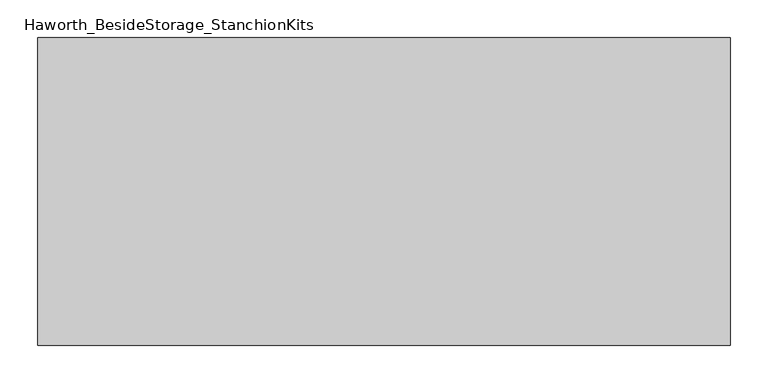
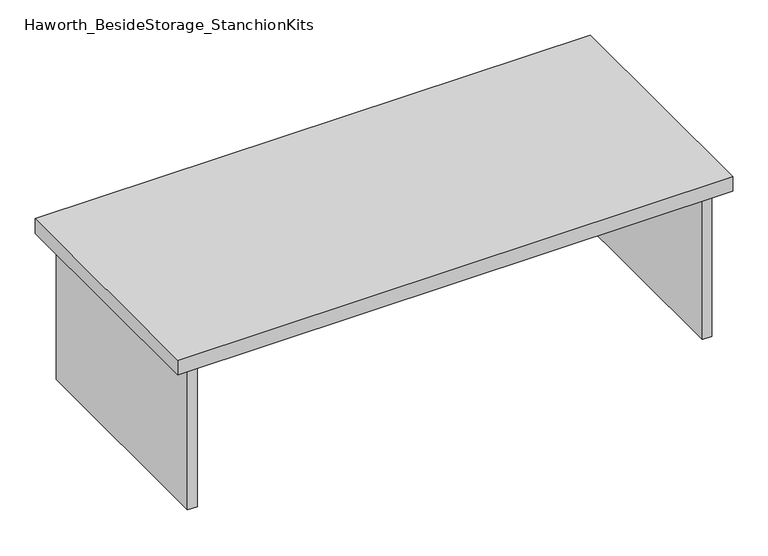
"""IFC4 building model written with IfcOpenShell, lengths in millimetres: furniture geometry, Haworth_BesideStorage_StanchionKits."""

import ifcopenshell
import ifcopenshell.guid

model = None  # the IFC model being written
_history = None  # IfcOwnerHistory: only IFC2X3 demands one
_inside = {}  # id of a spatial element -> (the spatial element, [elements in it])
_under = {}  # id of a project, library or spatial element -> (it, [spatial elements below it])
_declared = {}  # id of a project -> (the project, [libraries it declares])
_typed = {}  # id of a type object -> (the type object, [elements of that type])
_made_of = {}  # id of a material, layer set ... -> (it, [elements and type objects made of it])


def new_model(schema):
    """Start an empty IFC model of exactly this schema.

    Asked for "IFC4X3", IfcOpenShell would pick the latest addendum, in which some entities
    have other attributes; the version numbers below select the first issue.
    IFC2X3 requires an IfcOwnerHistory on every rooted entity: one is made here for all.
    """
    global model, _history
    if schema == "IFC4X3":
        model = ifcopenshell.file(schema_version=(4, 3, 0, 0))
    else:
        model = ifcopenshell.file(schema=schema)
    _inside.clear()
    _under.clear()
    _declared.clear()
    _typed.clear()
    _made_of.clear()
    _history = None
    if model.schema == "IFC2X3":
        org = make("IfcOrganization", Name="unknown")
        user = make(
            "IfcPersonAndOrganization",
            ThePerson=make("IfcPerson", FamilyName="unknown"),
            TheOrganization=org,
        )
        app = make(
            "IfcApplication",
            ApplicationDeveloper=org,
            Version="unknown",
            ApplicationFullName="unknown",
            ApplicationIdentifier="unknown",
        )
        _history = make(
            "IfcOwnerHistory",
            OwningUser=user,
            OwningApplication=app,
            ChangeAction="ADDED",
            CreationDate=0,
        )
    return model


def make(cls, **values):
    """One entity of the class cls with the attributes given. An attribute that is None is left unset."""
    return model.create_entity(
        cls, **{name: value for name, value in values.items() if value is not None}
    )


def rooted(cls, **values):
    """An entity with a GlobalId (a new one), such as an element, a storey or a relation."""
    return make(cls, GlobalId=ifcopenshell.guid.new(), OwnerHistory=_history, **values)


def si_unit(unit_type, name, prefix=None):
    """IfcSIUnit, for example si_unit("LENGTHUNIT", "METRE", prefix="MILLI")."""
    return make("IfcSIUnit", UnitType=unit_type, Prefix=prefix, Name=name)


def assignment(units):
    """IfcUnitAssignment: the units of a project."""
    return None if units is None else make("IfcUnitAssignment", Units=units)


def point(xyz):
    """IfcCartesianPoint."""
    return None if xyz is None else make("IfcCartesianPoint", Coordinates=xyz)


def direction(xyz):
    """IfcDirection."""
    return None if xyz is None else make("IfcDirection", DirectionRatios=xyz)


def frame(location, z_axis=None, x_axis=None):
    """IfcAxis2Placement3D, a coordinate frame: its origin and axes. An axis left out is left unset."""
    return make(
        "IfcAxis2Placement3D",
        Location=point(location),
        Axis=direction(z_axis),
        RefDirection=direction(x_axis),
    )


def origin():
    """The frame at (0, 0, 0) with its axes left unset."""
    return frame((0.0, 0.0, 0.0))


def place(relative_to, where):
    """IfcLocalPlacement: puts the frame where relative to a parent placement (None: the world)."""
    return make(
        "IfcLocalPlacement", PlacementRelTo=relative_to, RelativePlacement=where
    )


def context(
    kind, dimensions, precision=None, world=None, true_north=None, identifier=None
):
    """IfcGeometricRepresentationContext, for example the 3D "Model" context."""
    return make(
        "IfcGeometricRepresentationContext",
        ContextIdentifier=identifier,
        ContextType=kind,
        CoordinateSpaceDimension=dimensions,
        Precision=precision,
        WorldCoordinateSystem=world,
        TrueNorth=true_north,
    )


def project(units=None, contexts=None):
    """IfcProject with its units and contexts."""
    return rooted(
        "IfcProject",
        Name="project",
        RepresentationContexts=contexts,
        UnitsInContext=assignment(units),
    )


def spatial(cls, under=None, at=None, **own):
    """A site, building, storey or space (cls), placed at a placement, below another one or the project."""
    s = rooted(cls, ObjectPlacement=at, **own)
    if under is not None:
        _under.setdefault(under.id(), (under, []))[1].append(s)
    return s


def polyline(points):
    """IfcPolyline through the points."""
    return make("IfcPolyline", Points=[point(p) for p in points])


def outline(outer, holes=None, kind="AREA"):
    """IfcArbitraryClosedProfileDef: a profile drawn as a closed curve; with holes, ...WithVoids."""
    if holes is None:
        return make("IfcArbitraryClosedProfileDef", ProfileType=kind, OuterCurve=outer)
    return make(
        "IfcArbitraryProfileDefWithVoids",
        ProfileType=kind,
        OuterCurve=outer,
        InnerCurves=holes,
    )


def extrude(swept, where, along, depth):
    """IfcExtrudedAreaSolid: the profile swept, set in the frame where, extruded along a direction by depth."""
    return make(
        "IfcExtrudedAreaSolid",
        SweptArea=swept,
        Position=where,
        ExtrudedDirection=direction(along),
        Depth=depth,
    )


def shape(context_of_items, identifier, shape_type, items):
    """IfcShapeRepresentation: the items that make up one representation, for example the "Body"."""
    return make(
        "IfcShapeRepresentation",
        ContextOfItems=context_of_items,
        RepresentationIdentifier=identifier,
        RepresentationType=shape_type,
        Items=items,
    )


def source(mapping_origin, context_of_items, identifier, shape_type, items):
    """IfcRepresentationMap: a shape defined once, which mapped items show again and again."""
    return make(
        "IfcRepresentationMap",
        MappingOrigin=mapping_origin,
        MappedRepresentation=shape(context_of_items, identifier, shape_type, items),
    )


def transform(
    local_origin,
    x_axis=None,
    y_axis=None,
    z_axis=None,
    scale=None,
    scale2=None,
    scale3=None,
    uniform=True,
):
    """IfcCartesianTransformationOperator3D, or its non-uniform kind. x_axis, y_axis, z_axis: its Axis1, 2, 3."""
    if uniform:
        return make(
            "IfcCartesianTransformationOperator3D",
            Axis1=direction(x_axis),
            Axis2=direction(y_axis),
            LocalOrigin=point(local_origin),
            Scale=scale,
            Axis3=direction(z_axis),
        )
    return make(
        "IfcCartesianTransformationOperator3DnonUniform",
        Axis1=direction(x_axis),
        Axis2=direction(y_axis),
        LocalOrigin=point(local_origin),
        Scale=scale,
        Axis3=direction(z_axis),
        Scale2=scale2,
        Scale3=scale3,
    )


def mapped(mapping_source, mapping_target):
    """IfcMappedItem: shows the shape of a source again, moved by a transform."""
    return make(
        "IfcMappedItem", MappingSource=mapping_source, MappingTarget=mapping_target
    )


def made_of(thing, what):
    """Note that an element or type object is made of a material, layer set ...; save() writes the relation."""
    if what is not None:
        _made_of.setdefault(what.id(), (what, []))[1].append(thing)
    return thing


def element(
    cls,
    number,
    at=None,
    inside=None,
    cuts=None,
    type_object=None,
    material=None,
    context=None,
    identifier="Body",
    shape_type=None,
    held_by="IfcProductDefinitionShape",
    body=None,
    shapes=None,
    **own,
):
    """One element of the class cls, such as IfcWall. Its Tag is "e" and its number.

    at: its placement. inside: the storey or other place that contains it. cuts: it is an
    opening in that element (IfcRelVoidsElement). A single representation is given by context,
    identifier, shape_type and body (its items); several are given by shapes. held_by: the class
    of the entity that holds the representations. save() writes the other relations.
    """
    e = rooted(cls, Tag="e%d" % number, ObjectPlacement=at, **own)
    if body is not None:
        shapes = [shape(context, identifier, shape_type, body)]
    if shapes is not None:
        e.Representation = make(held_by, Representations=shapes)
    if inside is not None:
        _inside.setdefault(inside.id(), (inside, []))[1].append(e)
    if cuts is not None:
        rooted(
            "IfcRelVoidsElement", RelatingBuildingElement=cuts, RelatedOpeningElement=e
        )
    if type_object is not None:
        _typed.setdefault(type_object.id(), (type_object, []))[1].append(e)
    return made_of(e, material)


def aggregate(whole, parts):
    """IfcRelAggregates: a whole, such as a stair, and the parts it consists of."""
    return rooted("IfcRelAggregates", RelatingObject=whole, RelatedObjects=parts)


def save(model, path):
    """Write the relations noted so far, then the file.

    IfcRelAggregates (storeys below a building ...), IfcRelContainedInSpatialStructure (elements
    in a storey), IfcRelDefinesByType, IfcRelAssociatesMaterial and IfcRelDeclares: one each for
    every whole, place, type object, material and project.
    """
    for whole, parts in _under.values():
        aggregate(whole, parts)
    for where, things in _inside.values():
        rooted(
            "IfcRelContainedInSpatialStructure",
            RelatedElements=things,
            RelatingStructure=where,
        )
    for kind, things in _typed.values():
        rooted("IfcRelDefinesByType", RelatedObjects=things, RelatingType=kind)
    for what, things in _made_of.values():
        rooted("IfcRelAssociatesMaterial", RelatedObjects=things, RelatingMaterial=what)
    for by, libraries in _declared.values():
        rooted("IfcRelDeclares", RelatingContext=by, RelatedDefinitions=libraries)
    model.write(path)


def haworth_besidestorage_stanchionkits_5b1dcfd9(model_context):
    return source(origin(), model_context, "Body", "SweptSolid", [
        extrude(outline(polyline([(619.125, 0.0), (619.125, -406.4), (-295.275, -406.4), (-295.275, 0.0), (619.125, 0.0)])), frame((0.0, 0.0, 685.8), z_axis=(0.0, 0.0, 1.0), x_axis=(1.0, 0.0, 0.0)), (0.0, 0.0, 1.0), 25.4),
        extrude(outline(polyline([(161.925, -76.2), (577.85, -76.2), (577.85, -92.075), (161.925, -92.075), (161.925, -76.2)])), frame((0.0, 0.0, 431.8), z_axis=(0.0, 0.0, 1.0), x_axis=(1.0, 0.0, 0.0)), (0.0, 0.0, 1.0), 254.0),
        extrude(outline(polyline([(593.725, -390.525), (577.85, -390.525), (577.85, -15.875), (593.725, -15.875), (593.725, -390.525)])), frame((0.0, 0.0, 431.8), z_axis=(0.0, 0.0, 1.0), x_axis=(1.0, 0.0, 0.0)), (0.0, 0.0, 1.0), 254.0),
        extrude(outline(polyline([(-254.0, -390.525), (-269.875, -390.525), (-269.875, -15.875), (-254.0, -15.875), (-254.0, -390.525)])), frame((0.0, 0.0, 431.8), z_axis=(0.0, 0.0, 1.0), x_axis=(1.0, 0.0, 0.0)), (0.0, 0.0, 1.0), 254.0),
    ])


if __name__ == "__main__":
    model = new_model("IFC4")
    model_context = context("Model", 3, world=origin())
    ifc_project = project(units=[si_unit("LENGTHUNIT", "METRE", prefix="MILLI")], contexts=[model_context])
    site = spatial("IfcSite", under=ifc_project)
    building = spatial("IfcBuilding", under=site)
    placement = place(None, origin())
    haworth_besidestorage_stanchionkits_shape = haworth_besidestorage_stanchionkits_5b1dcfd9(model_context)
    element("IfcFurniture", 1, ObjectType="Haworth_BesideStorage_StanchionKits", at=placement, inside=building, context=model_context, shape_type="MappedRepresentation", body=[
        mapped(haworth_besidestorage_stanchionkits_shape, transform((0.0, 0.0, 0.0), x_axis=(1.0, 0.0, 0.0), y_axis=(0.0, 1.0, 0.0), z_axis=(0.0, 0.0, 1.0))),
    ])
    save(model, "model.ifc")
